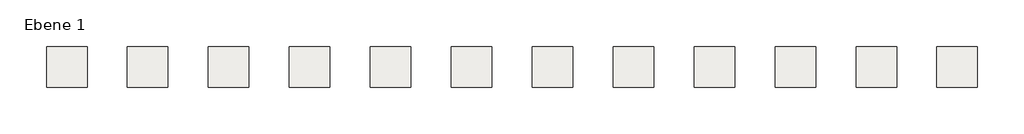
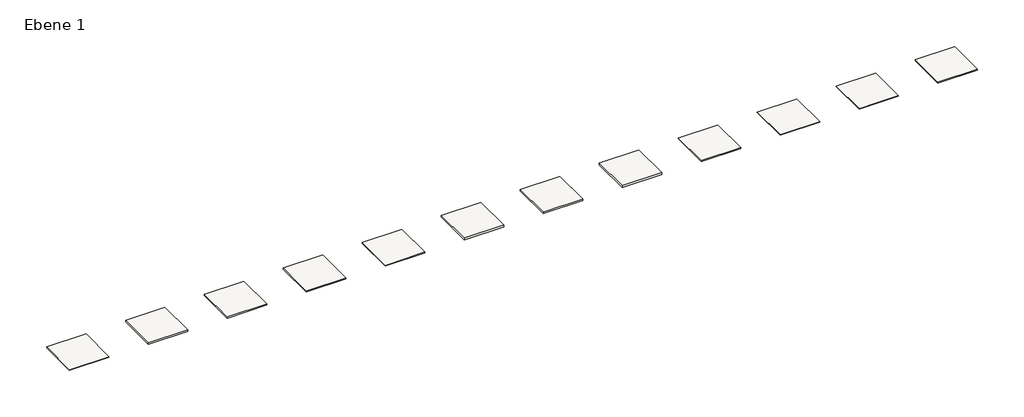
# One storey: 12 coverings.
"""IFC4 building model written with IfcOpenShell, lengths in millimetres."""

import ifcopenshell
import ifcopenshell.guid

model = None  # the IFC model being written
_history = None  # IfcOwnerHistory: only IFC2X3 demands one
_inside = {}  # id of a spatial element -> (the spatial element, [elements in it])
_under = {}  # id of a project, library or spatial element -> (it, [spatial elements below it])
_declared = {}  # id of a project -> (the project, [libraries it declares])
_typed = {}  # id of a type object -> (the type object, [elements of that type])
_made_of = {}  # id of a material, layer set ... -> (it, [elements and type objects made of it])


def new_model(schema):
    """Start an empty IFC model of exactly this schema.

    Asked for "IFC4X3", IfcOpenShell would pick the latest addendum, in which some entities
    have other attributes; the version numbers below select the first issue.
    IFC2X3 requires an IfcOwnerHistory on every rooted entity: one is made here for all.
    """
    global model, _history
    if schema == "IFC4X3":
        model = ifcopenshell.file(schema_version=(4, 3, 0, 0))
    else:
        model = ifcopenshell.file(schema=schema)
    _inside.clear()
    _under.clear()
    _declared.clear()
    _typed.clear()
    _made_of.clear()
    _history = None
    if model.schema == "IFC2X3":
        org = make("IfcOrganization", Name="unknown")
        user = make(
            "IfcPersonAndOrganization",
            ThePerson=make("IfcPerson", FamilyName="unknown"),
            TheOrganization=org,
        )
        app = make(
            "IfcApplication",
            ApplicationDeveloper=org,
            Version="unknown",
            ApplicationFullName="unknown",
            ApplicationIdentifier="unknown",
        )
        _history = make(
            "IfcOwnerHistory",
            OwningUser=user,
            OwningApplication=app,
            ChangeAction="ADDED",
            CreationDate=0,
        )
    return model


def make(cls, **values):
    """One entity of the class cls with the attributes given. An attribute that is None is left unset."""
    return model.create_entity(
        cls, **{name: value for name, value in values.items() if value is not None}
    )


def rooted(cls, **values):
    """An entity with a GlobalId (a new one), such as an element, a storey or a relation."""
    return make(cls, GlobalId=ifcopenshell.guid.new(), OwnerHistory=_history, **values)


def si_unit(unit_type, name, prefix=None):
    """IfcSIUnit, for example si_unit("LENGTHUNIT", "METRE", prefix="MILLI")."""
    return make("IfcSIUnit", UnitType=unit_type, Prefix=prefix, Name=name)


def assignment(units):
    """IfcUnitAssignment: the units of a project."""
    return None if units is None else make("IfcUnitAssignment", Units=units)


def point(xyz):
    """IfcCartesianPoint."""
    return None if xyz is None else make("IfcCartesianPoint", Coordinates=xyz)


def direction(xyz):
    """IfcDirection."""
    return None if xyz is None else make("IfcDirection", DirectionRatios=xyz)


def frame(location, z_axis=None, x_axis=None):
    """IfcAxis2Placement3D, a coordinate frame: its origin and axes. An axis left out is left unset."""
    return make(
        "IfcAxis2Placement3D",
        Location=point(location),
        Axis=direction(z_axis),
        RefDirection=direction(x_axis),
    )


def origin():
    """The frame at (0, 0, 0) with its axes left unset."""
    return frame((0.0, 0.0, 0.0))


def origin_with_axes():
    """The frame at (0, 0, 0) with the z axis (0, 0, 1) and the x axis (1, 0, 0) written out."""
    return frame((0.0, 0.0, 0.0), z_axis=(0.0, 0.0, 1.0), x_axis=(1.0, 0.0, 0.0))


def place(relative_to, where):
    """IfcLocalPlacement: puts the frame where relative to a parent placement (None: the world)."""
    return make(
        "IfcLocalPlacement", PlacementRelTo=relative_to, RelativePlacement=where
    )


def context(
    kind, dimensions, precision=None, world=None, true_north=None, identifier=None
):
    """IfcGeometricRepresentationContext, for example the 3D "Model" context."""
    return make(
        "IfcGeometricRepresentationContext",
        ContextIdentifier=identifier,
        ContextType=kind,
        CoordinateSpaceDimension=dimensions,
        Precision=precision,
        WorldCoordinateSystem=world,
        TrueNorth=true_north,
    )


def project(units=None, contexts=None):
    """IfcProject with its units and contexts."""
    return rooted(
        "IfcProject",
        Name="project",
        RepresentationContexts=contexts,
        UnitsInContext=assignment(units),
    )


def spatial(cls, under=None, at=None, **own):
    """A site, building, storey or space (cls), placed at a placement, below another one or the project."""
    s = rooted(cls, ObjectPlacement=at, **own)
    if under is not None:
        _under.setdefault(under.id(), (under, []))[1].append(s)
    return s


def polyline(points):
    """IfcPolyline through the points."""
    return make("IfcPolyline", Points=[point(p) for p in points])


def outline(outer, holes=None, kind="AREA"):
    """IfcArbitraryClosedProfileDef: a profile drawn as a closed curve; with holes, ...WithVoids."""
    if holes is None:
        return make("IfcArbitraryClosedProfileDef", ProfileType=kind, OuterCurve=outer)
    return make(
        "IfcArbitraryProfileDefWithVoids",
        ProfileType=kind,
        OuterCurve=outer,
        InnerCurves=holes,
    )


def extrude(swept, where, along, depth):
    """IfcExtrudedAreaSolid: the profile swept, set in the frame where, extruded along a direction by depth."""
    return make(
        "IfcExtrudedAreaSolid",
        SweptArea=swept,
        Position=where,
        ExtrudedDirection=direction(along),
        Depth=depth,
    )


def shape(context_of_items, identifier, shape_type, items):
    """IfcShapeRepresentation: the items that make up one representation, for example the "Body"."""
    return make(
        "IfcShapeRepresentation",
        ContextOfItems=context_of_items,
        RepresentationIdentifier=identifier,
        RepresentationType=shape_type,
        Items=items,
    )


def made_of(thing, what):
    """Note that an element or type object is made of a material, layer set ...; save() writes the relation."""
    if what is not None:
        _made_of.setdefault(what.id(), (what, []))[1].append(thing)
    return thing


def element(
    cls,
    number,
    at=None,
    inside=None,
    cuts=None,
    type_object=None,
    material=None,
    context=None,
    identifier="Body",
    shape_type=None,
    held_by="IfcProductDefinitionShape",
    body=None,
    shapes=None,
    **own,
):
    """One element of the class cls, such as IfcWall. Its Tag is "e" and its number.

    at: its placement. inside: the storey or other place that contains it. cuts: it is an
    opening in that element (IfcRelVoidsElement). A single representation is given by context,
    identifier, shape_type and body (its items); several are given by shapes. held_by: the class
    of the entity that holds the representations. save() writes the other relations.
    """
    e = rooted(cls, Tag="e%d" % number, ObjectPlacement=at, **own)
    if body is not None:
        shapes = [shape(context, identifier, shape_type, body)]
    if shapes is not None:
        e.Representation = make(held_by, Representations=shapes)
    if inside is not None:
        _inside.setdefault(inside.id(), (inside, []))[1].append(e)
    if cuts is not None:
        rooted(
            "IfcRelVoidsElement", RelatingBuildingElement=cuts, RelatedOpeningElement=e
        )
    if type_object is not None:
        _typed.setdefault(type_object.id(), (type_object, []))[1].append(e)
    return made_of(e, material)


def aggregate(whole, parts):
    """IfcRelAggregates: a whole, such as a stair, and the parts it consists of."""
    return rooted("IfcRelAggregates", RelatingObject=whole, RelatedObjects=parts)


def save(model, path):
    """Write the relations noted so far, then the file.

    IfcRelAggregates (storeys below a building ...), IfcRelContainedInSpatialStructure (elements
    in a storey), IfcRelDefinesByType, IfcRelAssociatesMaterial and IfcRelDeclares: one each for
    every whole, place, type object, material and project.
    """
    for whole, parts in _under.values():
        aggregate(whole, parts)
    for where, things in _inside.values():
        rooted(
            "IfcRelContainedInSpatialStructure",
            RelatedElements=things,
            RelatingStructure=where,
        )
    for kind, things in _typed.values():
        rooted("IfcRelDefinesByType", RelatedObjects=things, RelatingType=kind)
    for what, things in _made_of.values():
        rooted("IfcRelAssociatesMaterial", RelatedObjects=things, RelatingMaterial=what)
    for by, libraries in _declared.values():
        rooted("IfcRelDeclares", RelatingContext=by, RelatedDefinitions=libraries)
    model.write(path)


model = new_model("IFC4")

# Units and contexts
model_context = context("Model", 3, world=origin())
ifc_project = project(units=[si_unit("LENGTHUNIT", "METRE", prefix="MILLI")], contexts=[model_context])

# Site, building, storey
site = spatial("IfcSite", under=ifc_project)
building = spatial("IfcBuilding", under=site)
storey = spatial("IfcBuildingStorey", under=building, Name="Ebene 1", Elevation=0.0)

# Coverings
placement = place(None, origin())
element("IfcCovering", 1, at=placement, inside=storey, context=model_context, shape_type="SweptSolid", body=[
    extrude(outline(polyline([(3800.0, -343.0665926), (1800.0, -343.0665926), (1800.0, 1656.9334074), (3800.0, 1656.9334074), (3800.0, -343.0665926)])), origin_with_axes(), (0.0, 0.0, 1.0), 66.5),
])
element("IfcCovering", 2, at=placement, inside=storey, context=model_context, shape_type="SweptSolid", body=[
    extrude(outline(polyline([(7800.0, -343.0665926), (5800.0, -343.0665926), (5800.0, 1656.9334074), (7800.0, 1656.9334074), (7800.0, -343.0665926)])), origin_with_axes(), (0.0, 0.0, 1.0), 69.0),
])
element("IfcCovering", 3, at=placement, inside=storey, context=model_context, shape_type="SweptSolid", body=[
    extrude(outline(polyline([(11800.0, -343.0665926), (9800.0, -343.0665926), (9800.0, 1656.9334074), (11800.0, 1656.9334074), (11800.0, -343.0665926)])), origin_with_axes(), (0.0, 0.0, 1.0), 66.5),
])
element("IfcCovering", 4, at=placement, inside=storey, context=model_context, shape_type="SweptSolid", body=[
    extrude(outline(polyline([(15800.0, -343.0665926), (13800.0, -343.0665926), (13800.0, 1656.9334074), (15800.0, 1656.9334074), (15800.0, -343.0665926)])), origin_with_axes(), (0.0, 0.0, 1.0), 36.5),
])
element("IfcCovering", 5, at=placement, inside=storey, context=model_context, shape_type="SweptSolid", body=[
    extrude(outline(polyline([(19800.0, -343.0665926), (17800.0, -343.0665926), (17800.0, 1656.9334074), (19800.0, 1656.9334074), (19800.0, -343.0665926)])), origin_with_axes(), (0.0, 0.0, 1.0), 86.5),
])
element("IfcCovering", 6, at=placement, inside=storey, context=model_context, shape_type="SweptSolid", body=[
    extrude(outline(polyline([(23800.0, -343.0665926), (21800.0, -343.0665926), (21800.0, 1656.9334074), (23800.0, 1656.9334074), (23800.0, -343.0665926)])), origin_with_axes(), (0.0, 0.0, 1.0), 89.0),
])
element("IfcCovering", 7, at=placement, inside=storey, context=model_context, shape_type="SweptSolid", body=[
    extrude(outline(polyline([(-200.0, -343.0665926), (-2200.0, -343.0665926), (-2200.0, 1656.9334074), (-200.0, 1656.9334074), (-200.0, -343.0665926)])), origin_with_axes(), (0.0, 0.0, 1.0), 39.5),
])
element("IfcCovering", 8, at=placement, inside=storey, context=model_context, shape_type="SweptSolid", body=[
    extrude(outline(polyline([(27800.0, -343.0665926), (25800.0, -343.0665926), (25800.0, 1656.9334074), (27800.0, 1656.9334074), (27800.0, -343.0665926)])), origin_with_axes(), (0.0, 0.0, 1.0), 99.0),
])
element("IfcCovering", 9, at=placement, inside=storey, context=model_context, shape_type="SweptSolid", body=[
    extrude(outline(polyline([(31800.0, -343.0665926), (29800.0, -343.0665926), (29800.0, 1656.9334074), (31800.0, 1656.9334074), (31800.0, -343.0665926)])), origin_with_axes(), (0.0, 0.0, 1.0), 39.0),
])
element("IfcCovering", 10, at=placement, inside=storey, context=model_context, shape_type="SweptSolid", body=[
    extrude(outline(polyline([(35800.0, -343.0665926), (33800.0, -343.0665926), (33800.0, 1656.9334074), (35800.0, 1656.9334074), (35800.0, -343.0665926)])), origin_with_axes(), (0.0, 0.0, 1.0), 39.5),
])
element("IfcCovering", 11, at=placement, inside=storey, context=model_context, shape_type="SweptSolid", body=[
    extrude(outline(polyline([(39800.0, -343.0665926), (37800.0, -343.0665926), (37800.0, 1656.9334074), (39800.0, 1656.9334074), (39800.0, -343.0665926)])), origin_with_axes(), (0.0, 0.0, 1.0), 27.5),
])
element("IfcCovering", 12, at=placement, inside=storey, context=model_context, shape_type="SweptSolid", body=[
    extrude(outline(polyline([(43800.0, -343.0665926), (41800.0, -343.0665926), (41800.0, 1656.9334074), (43800.0, 1656.9334074), (43800.0, -343.0665926)])), origin_with_axes(), (0.0, 0.0, 1.0), 49.0),
])

save(model, "model.ifc")
